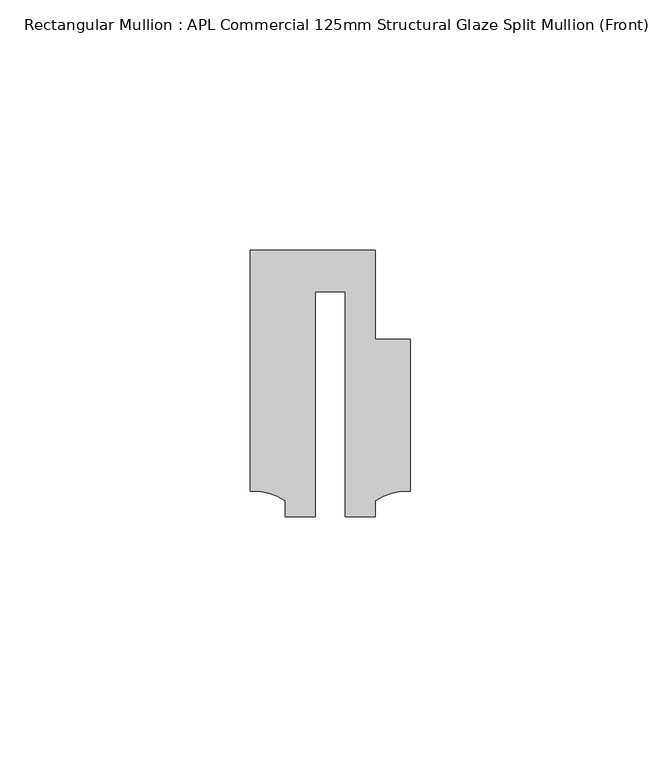
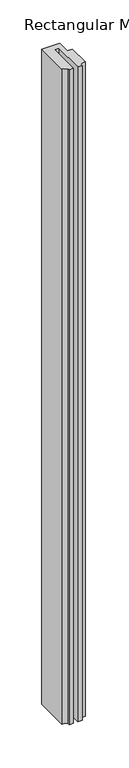
"""IFC4 building model written with IfcOpenShell, lengths in millimetres: member geometry, Rectangular Mullion : APL Commercial 125mm Structural Glaze Split Mullion (Front)."""

from ifc_helpers import new_model, si_unit, point, frame, frame_2d, origin, place, context, project, spatial, polyline, circle_curve, trimmed, segment, composite_curve, outline, extrude, source, transform, mapped, element, save


def rectangular_mullion_apl_commercial_125mm_structural_glaze_52967fcd(model_context):
    return source(origin(), model_context, "Body", "SweptSolid", [
        extrude(outline(composite_curve([segment(polyline([(15.9999391, 14.9953356), (15.9999391, -15.3837352)]), True, "CONTINUOUS"), segment(trimmed(circle_curve(frame_2d((15.1098019, -25.802169)), 10.4563907), [point((15.9999391, -15.3837352))], [point((8.9999842, -17.3165203))], True, "CARTESIAN"), True, "CONTINUOUS"), segment(polyline([(8.9999842, -17.3165203), (8.9999842, -20.5039877), (2.9999676, -20.5039877), (2.9999676, 24.5130805), (-2.9999659, 24.5130805), (-2.9999659, -20.5039877), (-8.9999842, -20.5039877), (-8.9999842, -17.3165203)]), True, "CONTINUOUS"), segment(trimmed(circle_curve(frame_2d((-15.1098019, -25.802169)), 10.4563907), [point((-8.9999842, -17.3165203))], [point((-15.9999391, -15.3837352))], True, "CARTESIAN"), True, "CONTINUOUS"), segment(polyline([(-15.9999391, -15.3837352), (-15.9999391, 32.7960123), (9.0, 32.7960123), (9.0, 14.9953356), (15.9999391, 14.9953356)]), True, "CONTINUOUS")], self_intersect=False)), frame((0.0, 0.0, -956.846945), z_axis=(0.0, 0.0, 1.0), x_axis=(1.0, 0.0, 0.0)), (0.0, 0.0, 1.0), 956.846945),
    ])


if __name__ == "__main__":
    model = new_model("IFC4")
    model_context = context("Model", 3, world=origin())
    ifc_project = project(units=[si_unit("LENGTHUNIT", "METRE", prefix="MILLI")], contexts=[model_context])
    site = spatial("IfcSite", under=ifc_project)
    building = spatial("IfcBuilding", under=site)
    placement = place(None, origin())
    rectangular_mullion_apl_commercial_125mm_structural_glaze_shape = rectangular_mullion_apl_commercial_125mm_structural_glaze_52967fcd(model_context)
    element("IfcMember", 1, ObjectType="Rectangular Mullion : APL Commercial 125mm Structural Glaze Split Mullion (Front)", at=placement, inside=building, context=model_context, shape_type="MappedRepresentation", body=[
        mapped(rectangular_mullion_apl_commercial_125mm_structural_glaze_shape, transform((0.0, 0.0, 0.0), x_axis=(1.0, 0.0, 0.0), y_axis=(0.0, 1.0, 0.0), z_axis=(0.0, 0.0, 1.0))),
    ])
    save(model, "model.ifc")
